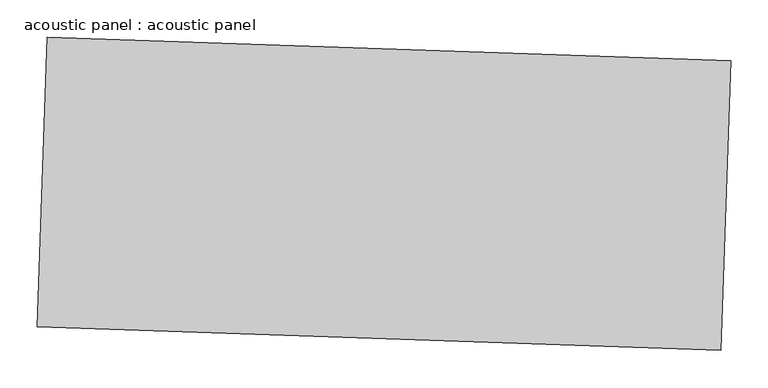
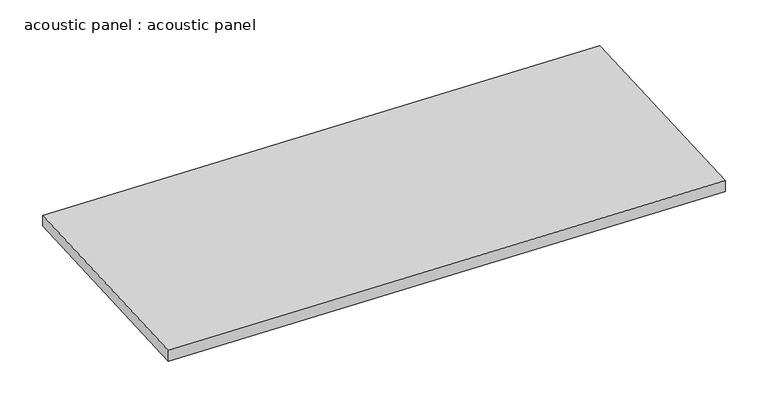
"""IFC4 building model written with IfcOpenShell, lengths in millimetres: proxy geometry, acoustic panel : acoustic panel."""

import ifcopenshell
import ifcopenshell.guid

model = None  # the IFC model being written
_history = None  # IfcOwnerHistory: only IFC2X3 demands one
_inside = {}  # id of a spatial element -> (the spatial element, [elements in it])
_under = {}  # id of a project, library or spatial element -> (it, [spatial elements below it])
_declared = {}  # id of a project -> (the project, [libraries it declares])
_typed = {}  # id of a type object -> (the type object, [elements of that type])
_made_of = {}  # id of a material, layer set ... -> (it, [elements and type objects made of it])


def new_model(schema):
    """Start an empty IFC model of exactly this schema.

    Asked for "IFC4X3", IfcOpenShell would pick the latest addendum, in which some entities
    have other attributes; the version numbers below select the first issue.
    IFC2X3 requires an IfcOwnerHistory on every rooted entity: one is made here for all.
    """
    global model, _history
    if schema == "IFC4X3":
        model = ifcopenshell.file(schema_version=(4, 3, 0, 0))
    else:
        model = ifcopenshell.file(schema=schema)
    _inside.clear()
    _under.clear()
    _declared.clear()
    _typed.clear()
    _made_of.clear()
    _history = None
    if model.schema == "IFC2X3":
        org = make("IfcOrganization", Name="unknown")
        user = make(
            "IfcPersonAndOrganization",
            ThePerson=make("IfcPerson", FamilyName="unknown"),
            TheOrganization=org,
        )
        app = make(
            "IfcApplication",
            ApplicationDeveloper=org,
            Version="unknown",
            ApplicationFullName="unknown",
            ApplicationIdentifier="unknown",
        )
        _history = make(
            "IfcOwnerHistory",
            OwningUser=user,
            OwningApplication=app,
            ChangeAction="ADDED",
            CreationDate=0,
        )
    return model


def make(cls, **values):
    """One entity of the class cls with the attributes given. An attribute that is None is left unset."""
    return model.create_entity(
        cls, **{name: value for name, value in values.items() if value is not None}
    )


def rooted(cls, **values):
    """An entity with a GlobalId (a new one), such as an element, a storey or a relation."""
    return make(cls, GlobalId=ifcopenshell.guid.new(), OwnerHistory=_history, **values)


def si_unit(unit_type, name, prefix=None):
    """IfcSIUnit, for example si_unit("LENGTHUNIT", "METRE", prefix="MILLI")."""
    return make("IfcSIUnit", UnitType=unit_type, Prefix=prefix, Name=name)


def assignment(units):
    """IfcUnitAssignment: the units of a project."""
    return None if units is None else make("IfcUnitAssignment", Units=units)


def point(xyz):
    """IfcCartesianPoint."""
    return None if xyz is None else make("IfcCartesianPoint", Coordinates=xyz)


def direction(xyz):
    """IfcDirection."""
    return None if xyz is None else make("IfcDirection", DirectionRatios=xyz)


def frame(location, z_axis=None, x_axis=None):
    """IfcAxis2Placement3D, a coordinate frame: its origin and axes. An axis left out is left unset."""
    return make(
        "IfcAxis2Placement3D",
        Location=point(location),
        Axis=direction(z_axis),
        RefDirection=direction(x_axis),
    )


def origin():
    """The frame at (0, 0, 0) with its axes left unset."""
    return frame((0.0, 0.0, 0.0))


def place(relative_to, where):
    """IfcLocalPlacement: puts the frame where relative to a parent placement (None: the world)."""
    return make(
        "IfcLocalPlacement", PlacementRelTo=relative_to, RelativePlacement=where
    )


def context(
    kind, dimensions, precision=None, world=None, true_north=None, identifier=None
):
    """IfcGeometricRepresentationContext, for example the 3D "Model" context."""
    return make(
        "IfcGeometricRepresentationContext",
        ContextIdentifier=identifier,
        ContextType=kind,
        CoordinateSpaceDimension=dimensions,
        Precision=precision,
        WorldCoordinateSystem=world,
        TrueNorth=true_north,
    )


def project(units=None, contexts=None):
    """IfcProject with its units and contexts."""
    return rooted(
        "IfcProject",
        Name="project",
        RepresentationContexts=contexts,
        UnitsInContext=assignment(units),
    )


def spatial(cls, under=None, at=None, **own):
    """A site, building, storey or space (cls), placed at a placement, below another one or the project."""
    s = rooted(cls, ObjectPlacement=at, **own)
    if under is not None:
        _under.setdefault(under.id(), (under, []))[1].append(s)
    return s


def polyline(points):
    """IfcPolyline through the points."""
    return make("IfcPolyline", Points=[point(p) for p in points])


def outline(outer, holes=None, kind="AREA"):
    """IfcArbitraryClosedProfileDef: a profile drawn as a closed curve; with holes, ...WithVoids."""
    if holes is None:
        return make("IfcArbitraryClosedProfileDef", ProfileType=kind, OuterCurve=outer)
    return make(
        "IfcArbitraryProfileDefWithVoids",
        ProfileType=kind,
        OuterCurve=outer,
        InnerCurves=holes,
    )


def extrude(swept, where, along, depth):
    """IfcExtrudedAreaSolid: the profile swept, set in the frame where, extruded along a direction by depth."""
    return make(
        "IfcExtrudedAreaSolid",
        SweptArea=swept,
        Position=where,
        ExtrudedDirection=direction(along),
        Depth=depth,
    )


def shape(context_of_items, identifier, shape_type, items):
    """IfcShapeRepresentation: the items that make up one representation, for example the "Body"."""
    return make(
        "IfcShapeRepresentation",
        ContextOfItems=context_of_items,
        RepresentationIdentifier=identifier,
        RepresentationType=shape_type,
        Items=items,
    )


def source(mapping_origin, context_of_items, identifier, shape_type, items):
    """IfcRepresentationMap: a shape defined once, which mapped items show again and again."""
    return make(
        "IfcRepresentationMap",
        MappingOrigin=mapping_origin,
        MappedRepresentation=shape(context_of_items, identifier, shape_type, items),
    )


def transform(
    local_origin,
    x_axis=None,
    y_axis=None,
    z_axis=None,
    scale=None,
    scale2=None,
    scale3=None,
    uniform=True,
):
    """IfcCartesianTransformationOperator3D, or its non-uniform kind. x_axis, y_axis, z_axis: its Axis1, 2, 3."""
    if uniform:
        return make(
            "IfcCartesianTransformationOperator3D",
            Axis1=direction(x_axis),
            Axis2=direction(y_axis),
            LocalOrigin=point(local_origin),
            Scale=scale,
            Axis3=direction(z_axis),
        )
    return make(
        "IfcCartesianTransformationOperator3DnonUniform",
        Axis1=direction(x_axis),
        Axis2=direction(y_axis),
        LocalOrigin=point(local_origin),
        Scale=scale,
        Axis3=direction(z_axis),
        Scale2=scale2,
        Scale3=scale3,
    )


def mapped(mapping_source, mapping_target):
    """IfcMappedItem: shows the shape of a source again, moved by a transform."""
    return make(
        "IfcMappedItem", MappingSource=mapping_source, MappingTarget=mapping_target
    )


def made_of(thing, what):
    """Note that an element or type object is made of a material, layer set ...; save() writes the relation."""
    if what is not None:
        _made_of.setdefault(what.id(), (what, []))[1].append(thing)
    return thing


def element(
    cls,
    number,
    at=None,
    inside=None,
    cuts=None,
    type_object=None,
    material=None,
    context=None,
    identifier="Body",
    shape_type=None,
    held_by="IfcProductDefinitionShape",
    body=None,
    shapes=None,
    **own,
):
    """One element of the class cls, such as IfcWall. Its Tag is "e" and its number.

    at: its placement. inside: the storey or other place that contains it. cuts: it is an
    opening in that element (IfcRelVoidsElement). A single representation is given by context,
    identifier, shape_type and body (its items); several are given by shapes. held_by: the class
    of the entity that holds the representations. save() writes the other relations.
    """
    e = rooted(cls, Tag="e%d" % number, ObjectPlacement=at, **own)
    if body is not None:
        shapes = [shape(context, identifier, shape_type, body)]
    if shapes is not None:
        e.Representation = make(held_by, Representations=shapes)
    if inside is not None:
        _inside.setdefault(inside.id(), (inside, []))[1].append(e)
    if cuts is not None:
        rooted(
            "IfcRelVoidsElement", RelatingBuildingElement=cuts, RelatedOpeningElement=e
        )
    if type_object is not None:
        _typed.setdefault(type_object.id(), (type_object, []))[1].append(e)
    return made_of(e, material)


def aggregate(whole, parts):
    """IfcRelAggregates: a whole, such as a stair, and the parts it consists of."""
    return rooted("IfcRelAggregates", RelatingObject=whole, RelatedObjects=parts)


def save(model, path):
    """Write the relations noted so far, then the file.

    IfcRelAggregates (storeys below a building ...), IfcRelContainedInSpatialStructure (elements
    in a storey), IfcRelDefinesByType, IfcRelAssociatesMaterial and IfcRelDeclares: one each for
    every whole, place, type object, material and project.
    """
    for whole, parts in _under.values():
        aggregate(whole, parts)
    for where, things in _inside.values():
        rooted(
            "IfcRelContainedInSpatialStructure",
            RelatedElements=things,
            RelatingStructure=where,
        )
    for kind, things in _typed.values():
        rooted("IfcRelDefinesByType", RelatedObjects=things, RelatingType=kind)
    for what, things in _made_of.values():
        rooted("IfcRelAssociatesMaterial", RelatedObjects=things, RelatingMaterial=what)
    for by, libraries in _declared.values():
        rooted("IfcRelDeclares", RelatingContext=by, RelatedDefinitions=libraries)
    model.write(path)


def acoustic_panel_acoustic_panel_229a29bd(model_context):
    return source(origin(), model_context, "Body", "SweptSolid", [
        extrude(outline(polyline([(34291.3488147, -17318.0277443), (34278.0990305, -17705.2014979), (33364.2340022, -17673.9273882), (33377.4837864, -17286.7536346), (34291.3488147, -17318.0277443)])), frame((0.0, 0.0, 3276.6301092), z_axis=(0.0, 0.0, 1.0), x_axis=(1.0, 0.0, 0.0)), (0.0, 0.0, 1.0), 19.05),
    ])


if __name__ == "__main__":
    model = new_model("IFC4")
    model_context = context("Model", 3, world=origin())
    ifc_project = project(units=[si_unit("LENGTHUNIT", "METRE", prefix="MILLI")], contexts=[model_context])
    site = spatial("IfcSite", under=ifc_project)
    building = spatial("IfcBuilding", under=site)
    placement = place(None, origin())
    acoustic_panel_acoustic_panel_shape = acoustic_panel_acoustic_panel_229a29bd(model_context)
    element("IfcBuildingElementProxy", 1, Name="acoustic panel : acoustic panel", ObjectType="acoustic panel : acoustic panel", at=placement, inside=building, context=model_context, shape_type="MappedRepresentation", body=[
        mapped(acoustic_panel_acoustic_panel_shape, transform((0.0, 0.0, 0.0), x_axis=(1.0, 0.0, 0.0), y_axis=(0.0, 1.0, 0.0), z_axis=(0.0, 0.0, 1.0))),
    ])
    save(model, "model.ifc")
